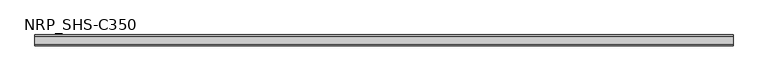
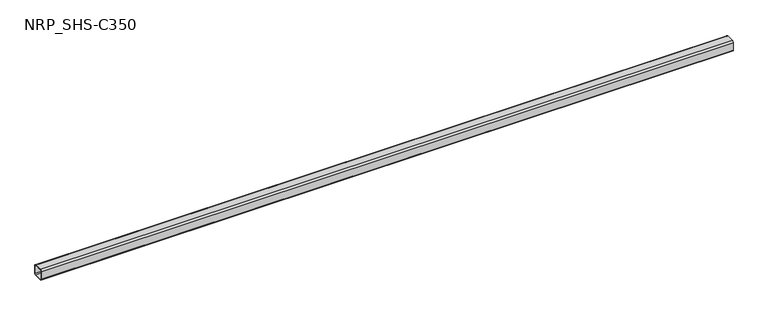
"""IFC4 building model written with IfcOpenShell, lengths in millimetres: member geometry, NRP_SHS-C350."""

from ifc_helpers import new_model, si_unit, point, frame, frame_2d, origin, place, context, project, spatial, polyline, circle_curve, trimmed, segment, composite_curve, outline, extrude, source, transform, mapped, element, save


def nrp_shs_c350_1e2eb9b5(model_context):
    return source(origin(), model_context, "Body", "SweptSolid", [
        extrude(outline(composite_curve([segment(polyline([(44.5, 32.0), (44.5, -32.0)]), True, "CONTINUOUS"), segment(trimmed(circle_curve(frame_2d((32.0, -32.0)), 12.5), [point((44.5, -32.0))], [point((32.0, -44.5))], False, "CARTESIAN"), True, "CONTINUOUS"), segment(polyline([(32.0, -44.5), (-32.0, -44.5)]), True, "CONTINUOUS"), segment(trimmed(circle_curve(frame_2d((-32.0, -32.0)), 12.5), [point((-32.0, -44.5))], [point((-44.5, -32.0))], False, "CARTESIAN"), True, "CONTINUOUS"), segment(polyline([(-44.5, -32.0), (-44.5, 32.0)]), True, "CONTINUOUS"), segment(trimmed(circle_curve(frame_2d((-32.0, 32.0)), 12.5), [point((-44.5, 32.0))], [point((-32.0, 44.5))], False, "CARTESIAN"), True, "CONTINUOUS"), segment(polyline([(-32.0, 44.5), (32.0, 44.5)]), True, "CONTINUOUS"), segment(trimmed(circle_curve(frame_2d((32.0, 32.0)), 12.5), [point((32.0, 44.5))], [point((44.5, 32.0))], False, "CARTESIAN"), True, "CONTINUOUS")], self_intersect=False), holes=[composite_curve([segment(trimmed(circle_curve(frame_2d((-32.0, 32.0)), 7.5), [point((-32.0, 39.5))], [point((-39.5, 32.0))], True, "CARTESIAN"), True, "CONTINUOUS"), segment(polyline([(-39.5, 32.0), (-39.5, -32.0)]), True, "CONTINUOUS"), segment(trimmed(circle_curve(frame_2d((-32.0, -32.0)), 7.5), [point((-39.5, -32.0))], [point((-32.0, -39.5))], True, "CARTESIAN"), True, "CONTINUOUS"), segment(polyline([(-32.0, -39.5), (32.0, -39.5)]), True, "CONTINUOUS"), segment(trimmed(circle_curve(frame_2d((32.0, -32.0)), 7.5), [point((32.0, -39.5))], [point((39.5, -32.0))], True, "CARTESIAN"), True, "CONTINUOUS"), segment(polyline([(39.5, -32.0), (39.5, 32.0)]), True, "CONTINUOUS"), segment(trimmed(circle_curve(frame_2d((32.0, 32.0)), 7.5), [point((39.5, 32.0))], [point((32.0, 39.5))], True, "CARTESIAN"), True, "CONTINUOUS"), segment(polyline([(32.0, 39.5), (-32.0, 39.5)]), True, "CONTINUOUS")], self_intersect=False)]), frame((-2809.5, 0.0, 0.0), z_axis=(1.0, 0.0, 0.0), x_axis=(0.0, 1.0, 0.0)), (0.0, 0.0, 1.0), 5624.0),
    ])


if __name__ == "__main__":
    model = new_model("IFC4")
    model_context = context("Model", 3, world=origin())
    ifc_project = project(units=[si_unit("LENGTHUNIT", "METRE", prefix="MILLI")], contexts=[model_context])
    site = spatial("IfcSite", under=ifc_project)
    building = spatial("IfcBuilding", under=site)
    placement = place(None, origin())
    nrp_shs_c350_shape = nrp_shs_c350_1e2eb9b5(model_context)
    element("IfcMember", 1, ObjectType="NRP_SHS-C350", at=placement, inside=building, context=model_context, shape_type="MappedRepresentation", body=[
        mapped(nrp_shs_c350_shape, transform((0.0, 0.0, 0.0), x_axis=(1.0, 0.0, 0.0), y_axis=(0.0, 1.0, 0.0), z_axis=(0.0, 0.0, 1.0))),
    ])
    save(model, "model.ifc")
